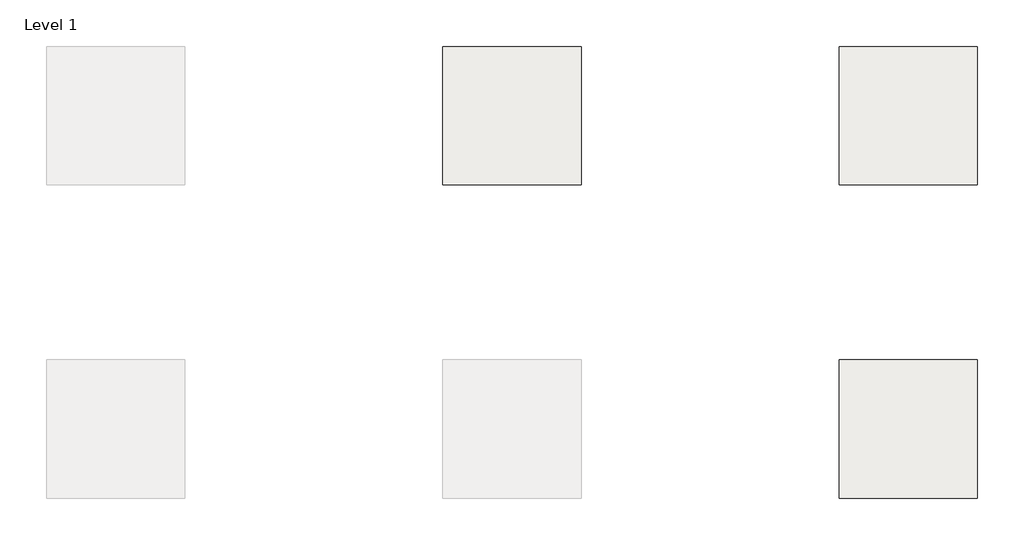
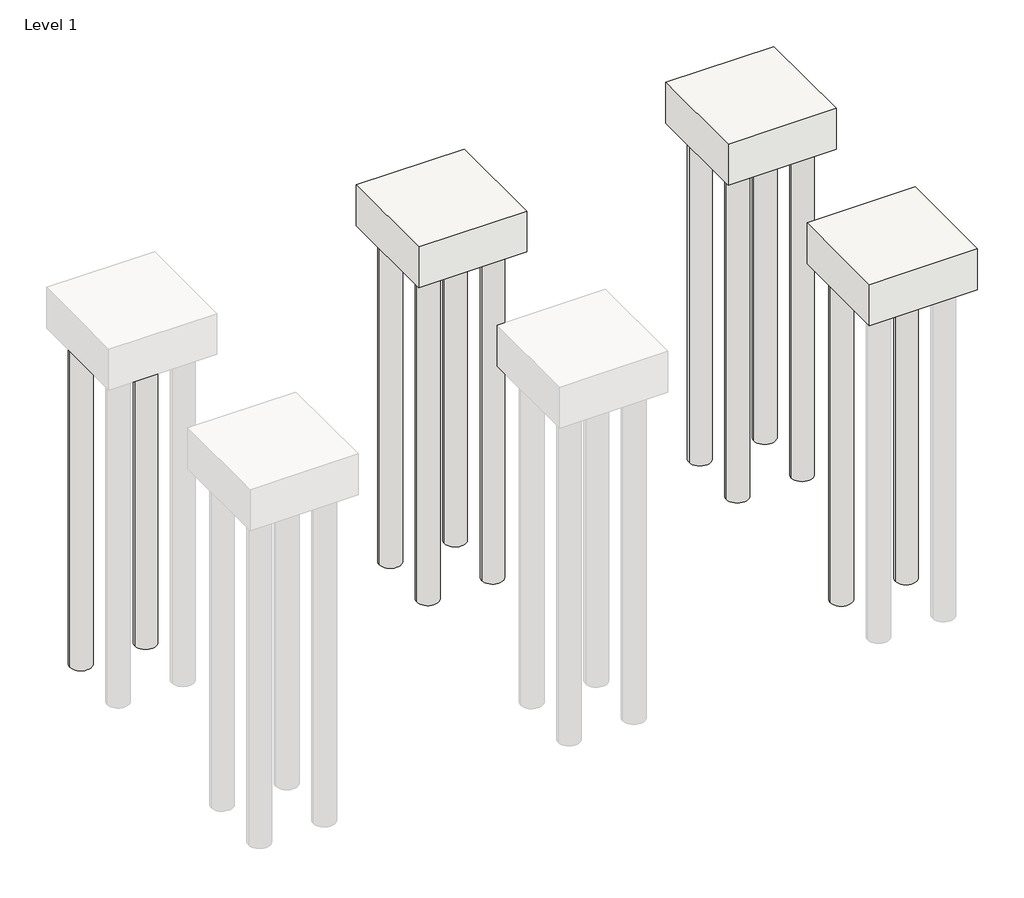
# One storey, part 2 of 2: 15 slabs.
"""IFC4 building model written with IfcOpenShell, lengths in millimetres."""

from ifc_helpers import new_model, si_unit, frame, origin, place, context, project, spatial, polyline, circle_curve, element, save
from ifc_brep_helpers import plane_surface, cylinder_surface, revolved_surface, advanced_brep

model = new_model("IFC4")

# Units and contexts
model_context = context("Model", 3, world=origin())
ifc_project = project(units=[si_unit("LENGTHUNIT", "METRE", prefix="MILLI")], contexts=[model_context])

# Site, building, storey
site = spatial("IfcSite", under=ifc_project)
building = spatial("IfcBuilding", under=site)
storey = spatial("IfcBuildingStorey", under=building, Name="Level 1", Elevation=0.0)

# Slabs
placement = place(None, origin())
element("IfcSlab", 1, ObjectType="4 Pile Round : 4 Pile Round", at=placement, inside=storey, context=model_context, shape_type="AdvancedBrep", body=[
    advanced_brep(
    [(6177.1865889, 4440.9620991, -600.0), (6177.1865889, 2940.9620991, -600.0), (4677.1865889, 2940.9620991, -600.0), (4677.1865889, 4440.9620991, -600.0), (4827.1865889, 4140.9620991, -600.0), (5127.1865889, 4140.9620991, -600.0), (5727.1865889, 4140.9620991, -600.0), (6027.1865889, 4140.9620991, -600.0), (5727.1865889, 3240.9620991, -600.0), (6027.1865889, 3240.9620991, -600.0), (4827.1865889, 3240.9620991, -600.0), (5127.1865889, 3240.9620991, -600.0), (6177.1865889, 4440.9620991, 0.0), (4677.1865889, 4440.9620991, 0.0), (4677.1865889, 2940.9620991, 0.0), (6177.1865889, 2940.9620991, 0.0), (4827.1865889, 4140.9620991, -450.0), (5127.1865889, 4140.9620991, -450.0), (5727.1865889, 4140.9620991, -450.0), (6027.1865889, 4140.9620991, -450.0), (5727.1865889, 3240.9620991, -450.0), (6027.1865889, 3240.9620991, -450.0), (4827.1865889, 3240.9620991, -450.0), (5127.1865889, 3240.9620991, -450.0)],
    [
        (0, 1),
        (1, 2),
        (2, 3),
        (3, 0),
        (4, 5, circle_curve(frame((4977.1865889, 4140.9620991, -600.0), z_axis=(0.0, 0.0, 1.0), x_axis=(1.0, 0.0, 0.0)), 150.0)),
        (5, 4, circle_curve(frame((4977.1865889, 4140.9620991, -600.0), z_axis=(0.0, 0.0, 1.0), x_axis=(1.0, 0.0, 0.0)), 150.0)),
        (6, 7, circle_curve(frame((5877.1865889, 4140.9620991, -600.0), z_axis=(0.0, 0.0, 1.0), x_axis=(1.0, 0.0, 0.0)), 150.0)),
        (7, 6, circle_curve(frame((5877.1865889, 4140.9620991, -600.0), z_axis=(0.0, 0.0, 1.0), x_axis=(1.0, 0.0, 0.0)), 150.0)),
        (8, 9, circle_curve(frame((5877.1865889, 3240.9620991, -600.0), z_axis=(0.0, 0.0, 1.0), x_axis=(1.0, 0.0, 0.0)), 150.0)),
        (9, 8, circle_curve(frame((5877.1865889, 3240.9620991, -600.0), z_axis=(0.0, 0.0, 1.0), x_axis=(1.0, 0.0, 0.0)), 150.0)),
        (10, 11, circle_curve(frame((4977.1865889, 3240.9620991, -600.0), z_axis=(0.0, 0.0, 1.0), x_axis=(1.0, 0.0, 0.0)), 150.0)),
        (11, 10, circle_curve(frame((4977.1865889, 3240.9620991, -600.0), z_axis=(0.0, 0.0, 1.0), x_axis=(1.0, 0.0, 0.0)), 150.0)),
        (12, 13),
        (13, 14),
        (14, 15),
        (15, 12),
        (3, 13),
        (12, 0),
        (2, 14),
        (1, 15),
        (16, 17, circle_curve(frame((4977.1865889, 4140.9620991, -450.0), z_axis=(0.0, 0.0, -1.0), x_axis=(1.0, 0.0, 0.0)), 150.0)),
        (17, 16, circle_curve(frame((4977.1865889, 4140.9620991, -450.0), z_axis=(0.0, 0.0, -1.0), x_axis=(1.0, 0.0, 0.0)), 150.0)),
        (18, 19, circle_curve(frame((5877.1865889, 4140.9620991, -450.0), z_axis=(0.0, 0.0, -1.0), x_axis=(1.0, 0.0, 0.0)), 150.0)),
        (19, 18, circle_curve(frame((5877.1865889, 4140.9620991, -450.0), z_axis=(0.0, 0.0, -1.0), x_axis=(1.0, 0.0, 0.0)), 150.0)),
        (20, 21, circle_curve(frame((5877.1865889, 3240.9620991, -450.0), z_axis=(0.0, 0.0, -1.0), x_axis=(1.0, 0.0, 0.0)), 150.0)),
        (21, 20, circle_curve(frame((5877.1865889, 3240.9620991, -450.0), z_axis=(0.0, 0.0, -1.0), x_axis=(1.0, 0.0, 0.0)), 150.0)),
        (22, 23, circle_curve(frame((4977.1865889, 3240.9620991, -450.0), z_axis=(0.0, 0.0, -1.0), x_axis=(1.0, 0.0, 0.0)), 150.0)),
        (23, 22, circle_curve(frame((4977.1865889, 3240.9620991, -450.0), z_axis=(0.0, 0.0, -1.0), x_axis=(1.0, 0.0, 0.0)), 150.0)),
        (17, 5),
        (4, 16),
        (19, 7),
        (6, 18),
        (21, 9),
        (8, 20),
        (23, 11),
        (10, 22),
    ],
    [
        plane_surface(frame((4677.1865889, 4440.9620991, -600.0), z_axis=(0.0, 0.0, -1.0), x_axis=(1.0, 0.0, 0.0))),
        plane_surface(frame((4677.1865889, 4440.9620991, 0.0), z_axis=(0.0, 0.0, 1.0), x_axis=(-1.0, 0.0, 0.0))),
        plane_surface(frame((6177.1865889, 4440.9620991, 0.0), z_axis=(0.0, 1.0, 0.0), x_axis=(0.0, 0.0, -1.0))),
        plane_surface(frame((4677.1865889, 4440.9620991, 0.0), z_axis=(-1.0, 0.0, 0.0), x_axis=(0.0, 0.0, -1.0))),
        plane_surface(frame((4677.1865889, 2940.9620991, 0.0), z_axis=(0.0, -1.0, 0.0), x_axis=(0.0, 0.0, -1.0))),
        plane_surface(frame((6177.1865889, 2940.9620991, 0.0), z_axis=(1.0, 0.0, 0.0), x_axis=(0.0, 0.0, -1.0))),
        plane_surface(frame((5127.1865889, 4140.9620991, -450.0), z_axis=(0.0, 0.0, -1.0), x_axis=(0.0, 1.0, 0.0))),
        revolved_surface(polyline([(5127.1865889, 4140.9620991, -450.0), (5127.1865889, 4140.9620991, -600.0)]), (4977.1865889, 4140.9620991, -600.0), (0.0, 0.0, 1.0)),
        revolved_surface(polyline([(6027.1865889, 4140.9620991, -450.0), (6027.1865889, 4140.9620991, -600.0)]), (5877.1865889, 4140.9620991, 0.0), (0.0, 0.0, 1.0)),
        revolved_surface(polyline([(6027.1865889, 3240.9620991, -450.0), (6027.1865889, 3240.9620991, -600.0)]), (5877.1865889, 3240.9620991, 0.0), (0.0, 0.0, 1.0)),
        revolved_surface(polyline([(5127.1865889, 3240.9620991, -450.0), (5127.1865889, 3240.9620991, -600.0)]), (4977.1865889, 3240.9620991, 0.0), (0.0, 0.0, 1.0)),
    ],
    [
        (0, [[1, 2, 3, 4], [5, 6], [7, 8], [9, 10], [11, 12]]),
        (1, [[13, 14, 15, 16]]),
        (2, [[-4, 17, -13, 18]]),
        (3, [[-3, 19, -14, -17]]),
        (4, [[-2, 20, -15, -19]]),
        (5, [[-1, -18, -16, -20]]),
        (6, [[21, 22]]),
        (6, [[23, 24]]),
        (6, [[25, 26]]),
        (6, [[27, 28]]),
        (7, [[-22, 29, -5, 30]]),
        (7, [[-21, -30, -6, -29]]),
        (8, [[-24, 31, -7, 32]]),
        (8, [[-23, -32, -8, -31]]),
        (9, [[-26, 33, -9, 34]]),
        (9, [[-25, -34, -10, -33]]),
        (10, [[-28, 35, -11, 36]]),
        (10, [[-27, -36, -12, -35]]),
    ],
),
])
element("IfcSlab", 2, ObjectType="4 Pile Round : 4 Pile Round", at=placement, inside=storey, context=model_context, shape_type="AdvancedBrep", body=[
    advanced_brep(
    [(10477.1865889, 4440.9620991, -600.0), (10477.1865889, 2940.9620991, -600.0), (8977.1865889, 2940.9620991, -600.0), (8977.1865889, 4440.9620991, -600.0), (9127.1865889, 4140.9620991, -600.0), (9427.1865889, 4140.9620991, -600.0), (10027.1865889, 4140.9620991, -600.0), (10327.1865889, 4140.9620991, -600.0), (10027.1865889, 3240.9620991, -600.0), (10327.1865889, 3240.9620991, -600.0), (9127.1865889, 3240.9620991, -600.0), (9427.1865889, 3240.9620991, -600.0), (10477.1865889, 4440.9620991, 0.0), (8977.1865889, 4440.9620991, 0.0), (8977.1865889, 2940.9620991, 0.0), (10477.1865889, 2940.9620991, 0.0), (9127.1865889, 4140.9620991, -450.0), (9427.1865889, 4140.9620991, -450.0), (10027.1865889, 4140.9620991, -450.0), (10327.1865889, 4140.9620991, -450.0), (10027.1865889, 3240.9620991, -450.0), (10327.1865889, 3240.9620991, -450.0), (9127.1865889, 3240.9620991, -450.0), (9427.1865889, 3240.9620991, -450.0)],
    [
        (0, 1),
        (1, 2),
        (2, 3),
        (3, 0),
        (4, 5, circle_curve(frame((9277.1865889, 4140.9620991, -600.0), z_axis=(0.0, 0.0, 1.0), x_axis=(1.0, 0.0, 0.0)), 150.0)),
        (5, 4, circle_curve(frame((9277.1865889, 4140.9620991, -600.0), z_axis=(0.0, 0.0, 1.0), x_axis=(1.0, 0.0, 0.0)), 150.0)),
        (6, 7, circle_curve(frame((10177.1865889, 4140.9620991, -600.0), z_axis=(0.0, 0.0, 1.0), x_axis=(1.0, 0.0, 0.0)), 150.0)),
        (7, 6, circle_curve(frame((10177.1865889, 4140.9620991, -600.0), z_axis=(0.0, 0.0, 1.0), x_axis=(1.0, 0.0, 0.0)), 150.0)),
        (8, 9, circle_curve(frame((10177.1865889, 3240.9620991, -600.0), z_axis=(0.0, 0.0, 1.0), x_axis=(1.0, 0.0, 0.0)), 150.0)),
        (9, 8, circle_curve(frame((10177.1865889, 3240.9620991, -600.0), z_axis=(0.0, 0.0, 1.0), x_axis=(1.0, 0.0, 0.0)), 150.0)),
        (10, 11, circle_curve(frame((9277.1865889, 3240.9620991, -600.0), z_axis=(0.0, 0.0, 1.0), x_axis=(1.0, 0.0, 0.0)), 150.0)),
        (11, 10, circle_curve(frame((9277.1865889, 3240.9620991, -600.0), z_axis=(0.0, 0.0, 1.0), x_axis=(1.0, 0.0, 0.0)), 150.0)),
        (12, 13),
        (13, 14),
        (14, 15),
        (15, 12),
        (3, 13),
        (12, 0),
        (2, 14),
        (1, 15),
        (16, 17, circle_curve(frame((9277.1865889, 4140.9620991, -450.0), z_axis=(0.0, 0.0, -1.0), x_axis=(1.0, 0.0, 0.0)), 150.0)),
        (17, 16, circle_curve(frame((9277.1865889, 4140.9620991, -450.0), z_axis=(0.0, 0.0, -1.0), x_axis=(1.0, 0.0, 0.0)), 150.0)),
        (18, 19, circle_curve(frame((10177.1865889, 4140.9620991, -450.0), z_axis=(0.0, 0.0, -1.0), x_axis=(1.0, 0.0, 0.0)), 150.0)),
        (19, 18, circle_curve(frame((10177.1865889, 4140.9620991, -450.0), z_axis=(0.0, 0.0, -1.0), x_axis=(1.0, 0.0, 0.0)), 150.0)),
        (20, 21, circle_curve(frame((10177.1865889, 3240.9620991, -450.0), z_axis=(0.0, 0.0, -1.0), x_axis=(1.0, 0.0, 0.0)), 150.0)),
        (21, 20, circle_curve(frame((10177.1865889, 3240.9620991, -450.0), z_axis=(0.0, 0.0, -1.0), x_axis=(1.0, 0.0, 0.0)), 150.0)),
        (22, 23, circle_curve(frame((9277.1865889, 3240.9620991, -450.0), z_axis=(0.0, 0.0, -1.0), x_axis=(1.0, 0.0, 0.0)), 150.0)),
        (23, 22, circle_curve(frame((9277.1865889, 3240.9620991, -450.0), z_axis=(0.0, 0.0, -1.0), x_axis=(1.0, 0.0, 0.0)), 150.0)),
        (17, 5),
        (4, 16),
        (19, 7),
        (6, 18),
        (21, 9),
        (8, 20),
        (23, 11),
        (10, 22),
    ],
    [
        plane_surface(frame((8977.1865889, 4440.9620991, -600.0), z_axis=(0.0, 0.0, -1.0), x_axis=(1.0, 0.0, 0.0))),
        plane_surface(frame((8977.1865889, 4440.9620991, 0.0), z_axis=(0.0, 0.0, 1.0), x_axis=(-1.0, 0.0, 0.0))),
        plane_surface(frame((10477.1865889, 4440.9620991, 0.0), z_axis=(0.0, 1.0, 0.0), x_axis=(0.0, 0.0, -1.0))),
        plane_surface(frame((8977.1865889, 4440.9620991, 0.0), z_axis=(-1.0, 0.0, 0.0), x_axis=(0.0, 0.0, -1.0))),
        plane_surface(frame((8977.1865889, 2940.9620991, 0.0), z_axis=(0.0, -1.0, 0.0), x_axis=(0.0, 0.0, -1.0))),
        plane_surface(frame((10477.1865889, 2940.9620991, 0.0), z_axis=(1.0, 0.0, 0.0), x_axis=(0.0, 0.0, -1.0))),
        plane_surface(frame((9427.1865889, 4140.9620991, -450.0), z_axis=(0.0, 0.0, -1.0), x_axis=(0.0, 1.0, 0.0))),
        revolved_surface(polyline([(9427.1865889, 4140.9620991, -450.0), (9427.1865889, 4140.9620991, -600.0)]), (9277.1865889, 4140.9620991, -600.0), (0.0, 0.0, 1.0)),
        revolved_surface(polyline([(10327.1865889, 4140.9620991, -450.0), (10327.1865889, 4140.9620991, -600.0)]), (10177.1865889, 4140.9620991, 0.0), (0.0, 0.0, 1.0)),
        revolved_surface(polyline([(10327.1865889, 3240.9620991, -450.0), (10327.1865889, 3240.9620991, -600.0)]), (10177.1865889, 3240.9620991, 0.0), (0.0, 0.0, 1.0)),
        revolved_surface(polyline([(9427.1865889, 3240.9620991, -450.0), (9427.1865889, 3240.9620991, -600.0)]), (9277.1865889, 3240.9620991, 0.0), (0.0, 0.0, 1.0)),
    ],
    [
        (0, [[1, 2, 3, 4], [5, 6], [7, 8], [9, 10], [11, 12]]),
        (1, [[13, 14, 15, 16]]),
        (2, [[-4, 17, -13, 18]]),
        (3, [[-3, 19, -14, -17]]),
        (4, [[-2, 20, -15, -19]]),
        (5, [[-1, -18, -16, -20]]),
        (6, [[21, 22]]),
        (6, [[23, 24]]),
        (6, [[25, 26]]),
        (6, [[27, 28]]),
        (7, [[-22, 29, -5, 30]]),
        (7, [[-21, -30, -6, -29]]),
        (8, [[-24, 31, -7, 32]]),
        (8, [[-23, -32, -8, -31]]),
        (9, [[-26, 33, -9, 34]]),
        (9, [[-25, -34, -10, -33]]),
        (10, [[-28, 35, -11, 36]]),
        (10, [[-27, -36, -12, -35]]),
    ],
),
])
element("IfcSlab", 3, ObjectType="4 Pile Round : 4 Pile Round", at=placement, inside=storey, context=model_context, shape_type="AdvancedBrep", body=[
    advanced_brep(
    [(10477.1865889, 1040.9620991, -600.0), (10477.1865889, -459.0379009, -600.0), (8977.1865889, -459.0379009, -600.0), (8977.1865889, 1040.9620991, -600.0), (9127.1865889, 740.9620991, -600.0), (9427.1865889, 740.9620991, -600.0), (10027.1865889, 740.9620991, -600.0), (10327.1865889, 740.9620991, -600.0), (10027.1865889, -159.0379009, -600.0), (10327.1865889, -159.0379009, -600.0), (9127.1865889, -159.0379009, -600.0), (9427.1865889, -159.0379009, -600.0), (10477.1865889, 1040.9620991, 0.0), (8977.1865889, 1040.9620991, 0.0), (8977.1865889, -459.0379009, 0.0), (10477.1865889, -459.0379009, 0.0), (9127.1865889, 740.9620991, -450.0), (9427.1865889, 740.9620991, -450.0), (10027.1865889, 740.9620991, -450.0), (10327.1865889, 740.9620991, -450.0), (10027.1865889, -159.0379009, -450.0), (10327.1865889, -159.0379009, -450.0), (9127.1865889, -159.0379009, -450.0), (9427.1865889, -159.0379009, -450.0)],
    [
        (0, 1),
        (1, 2),
        (2, 3),
        (3, 0),
        (4, 5, circle_curve(frame((9277.1865889, 740.9620991, -600.0), z_axis=(0.0, 0.0, 1.0), x_axis=(1.0, 0.0, 0.0)), 150.0)),
        (5, 4, circle_curve(frame((9277.1865889, 740.9620991, -600.0), z_axis=(0.0, 0.0, 1.0), x_axis=(1.0, 0.0, 0.0)), 150.0)),
        (6, 7, circle_curve(frame((10177.1865889, 740.9620991, -600.0), z_axis=(0.0, 0.0, 1.0), x_axis=(1.0, 0.0, 0.0)), 150.0)),
        (7, 6, circle_curve(frame((10177.1865889, 740.9620991, -600.0), z_axis=(0.0, 0.0, 1.0), x_axis=(1.0, 0.0, 0.0)), 150.0)),
        (8, 9, circle_curve(frame((10177.1865889, -159.0379009, -600.0), z_axis=(0.0, 0.0, 1.0), x_axis=(1.0, 0.0, 0.0)), 150.0)),
        (9, 8, circle_curve(frame((10177.1865889, -159.0379009, -600.0), z_axis=(0.0, 0.0, 1.0), x_axis=(1.0, 0.0, 0.0)), 150.0)),
        (10, 11, circle_curve(frame((9277.1865889, -159.0379009, -600.0), z_axis=(0.0, 0.0, 1.0), x_axis=(1.0, 0.0, 0.0)), 150.0)),
        (11, 10, circle_curve(frame((9277.1865889, -159.0379009, -600.0), z_axis=(0.0, 0.0, 1.0), x_axis=(1.0, 0.0, 0.0)), 150.0)),
        (12, 13),
        (13, 14),
        (14, 15),
        (15, 12),
        (3, 13),
        (12, 0),
        (2, 14),
        (1, 15),
        (16, 17, circle_curve(frame((9277.1865889, 740.9620991, -450.0), z_axis=(0.0, 0.0, -1.0), x_axis=(1.0, 0.0, 0.0)), 150.0)),
        (17, 16, circle_curve(frame((9277.1865889, 740.9620991, -450.0), z_axis=(0.0, 0.0, -1.0), x_axis=(1.0, 0.0, 0.0)), 150.0)),
        (18, 19, circle_curve(frame((10177.1865889, 740.9620991, -450.0), z_axis=(0.0, 0.0, -1.0), x_axis=(1.0, 0.0, 0.0)), 150.0)),
        (19, 18, circle_curve(frame((10177.1865889, 740.9620991, -450.0), z_axis=(0.0, 0.0, -1.0), x_axis=(1.0, 0.0, 0.0)), 150.0)),
        (20, 21, circle_curve(frame((10177.1865889, -159.0379009, -450.0), z_axis=(0.0, 0.0, -1.0), x_axis=(1.0, 0.0, 0.0)), 150.0)),
        (21, 20, circle_curve(frame((10177.1865889, -159.0379009, -450.0), z_axis=(0.0, 0.0, -1.0), x_axis=(1.0, 0.0, 0.0)), 150.0)),
        (22, 23, circle_curve(frame((9277.1865889, -159.0379009, -450.0), z_axis=(0.0, 0.0, -1.0), x_axis=(1.0, 0.0, 0.0)), 150.0)),
        (23, 22, circle_curve(frame((9277.1865889, -159.0379009, -450.0), z_axis=(0.0, 0.0, -1.0), x_axis=(1.0, 0.0, 0.0)), 150.0)),
        (17, 5),
        (4, 16),
        (19, 7),
        (6, 18),
        (21, 9),
        (8, 20),
        (23, 11),
        (10, 22),
    ],
    [
        plane_surface(frame((8977.1865889, 1040.9620991, -600.0), z_axis=(0.0, 0.0, -1.0), x_axis=(1.0, 0.0, 0.0))),
        plane_surface(frame((8977.1865889, 1040.9620991, 0.0), z_axis=(0.0, 0.0, 1.0), x_axis=(-1.0, 0.0, 0.0))),
        plane_surface(frame((10477.1865889, 1040.9620991, 0.0), z_axis=(0.0, 1.0, 0.0), x_axis=(0.0, 0.0, -1.0))),
        plane_surface(frame((8977.1865889, 1040.9620991, 0.0), z_axis=(-1.0, 0.0, 0.0), x_axis=(0.0, 0.0, -1.0))),
        plane_surface(frame((8977.1865889, -459.0379009, 0.0), z_axis=(0.0, -1.0, 0.0), x_axis=(0.0, 0.0, -1.0))),
        plane_surface(frame((10477.1865889, -459.0379009, 0.0), z_axis=(1.0, 0.0, 0.0), x_axis=(0.0, 0.0, -1.0))),
        plane_surface(frame((9427.1865889, 740.9620991, -450.0), z_axis=(0.0, 0.0, -1.0), x_axis=(0.0, 1.0, 0.0))),
        revolved_surface(polyline([(9427.1865889, 740.9620991, -450.0), (9427.1865889, 740.9620991, -600.0)]), (9277.1865889, 740.9620991, -600.0), (0.0, 0.0, 1.0)),
        revolved_surface(polyline([(10327.1865889, 740.9620991, -450.0), (10327.1865889, 740.9620991, -600.0)]), (10177.1865889, 740.9620991, 0.0), (0.0, 0.0, 1.0)),
        revolved_surface(polyline([(10327.1865889, -159.0379009, -450.0), (10327.1865889, -159.0379009, -600.0)]), (10177.1865889, -159.0379009, 0.0), (0.0, 0.0, 1.0)),
        revolved_surface(polyline([(9427.1865889, -159.0379009, -450.0), (9427.1865889, -159.0379009, -600.0)]), (9277.1865889, -159.0379009, 0.0), (0.0, 0.0, 1.0)),
    ],
    [
        (0, [[1, 2, 3, 4], [5, 6], [7, 8], [9, 10], [11, 12]]),
        (1, [[13, 14, 15, 16]]),
        (2, [[-4, 17, -13, 18]]),
        (3, [[-3, 19, -14, -17]]),
        (4, [[-2, 20, -15, -19]]),
        (5, [[-1, -18, -16, -20]]),
        (6, [[21, 22]]),
        (6, [[23, 24]]),
        (6, [[25, 26]]),
        (6, [[27, 28]]),
        (7, [[-22, 29, -5, 30]]),
        (7, [[-21, -30, -6, -29]]),
        (8, [[-24, 31, -7, 32]]),
        (8, [[-23, -32, -8, -31]]),
        (9, [[-26, 33, -9, 34]]),
        (9, [[-25, -34, -10, -33]]),
        (10, [[-28, 35, -11, 36]]),
        (10, [[-27, -36, -12, -35]]),
    ],
),
])
element("IfcSlab", 4, ObjectType="Precast Round Pile : 200DIA", at=placement, inside=storey, context=model_context, shape_type="AdvancedBrep", body=[
    advanced_brep(
    [(527.1865889, 4140.9620991, -5450.0), (827.1865889, 4140.9620991, -5450.0), (527.1865889, 4140.9620991, -450.0), (827.1865889, 4140.9620991, -450.0), (827.1865889, 4140.9620991, -600.0), (527.1865889, 4140.9620991, -600.0)],
    [
        (0, 1, circle_curve(frame((677.1865889, 4140.9620991, -5450.0), z_axis=(0.0, 0.0, -1.0), x_axis=(1.0, 0.0, 0.0)), 150.0)),
        (1, 0, circle_curve(frame((677.1865889, 4140.9620991, -5450.0), z_axis=(0.0, 0.0, -1.0), x_axis=(1.0, 0.0, 0.0)), 150.0)),
        (2, 3, circle_curve(frame((677.1865889, 4140.9620991, -450.0), z_axis=(0.0, 0.0, 1.0), x_axis=(1.0, 0.0, 0.0)), 150.0)),
        (3, 2, circle_curve(frame((677.1865889, 4140.9620991, -450.0), z_axis=(0.0, 0.0, 1.0), x_axis=(1.0, 0.0, 0.0)), 150.0)),
        (1, 4),
        (4, 3),
        (2, 5),
        (5, 0),
    ],
    [
        plane_surface(frame((827.1865889, 4140.9620991, -5450.0), z_axis=(0.0, 0.0, -1.0), x_axis=(0.0, -1.0, 0.0))),
        plane_surface(frame((827.1865889, 4140.9620991, -450.0), z_axis=(0.0, 0.0, 1.0), x_axis=(0.0, 1.0, 0.0))),
        cylinder_surface(frame((677.1865889, 4140.9620991, -5450.0), z_axis=(0.0, 0.0, 1.0), x_axis=(1.0, 0.0, 0.0)), 150.0),
    ],
    [
        (0, [[1, 2]]),
        (1, [[3, 4]]),
        (2, [[-2, 5, 6, -3, 7, 8]]),
        (2, [[-1, -8, -7, -4, -6, -5]]),
    ],
),
])
element("IfcSlab", 5, ObjectType="Precast Round Pile : 200DIA", at=placement, inside=storey, context=model_context, shape_type="AdvancedBrep", body=[
    advanced_brep(
    [(1427.1865889, 4140.9620991, -5450.0), (1727.1865889, 4140.9620991, -5450.0), (1427.1865889, 4140.9620991, -450.0), (1727.1865889, 4140.9620991, -450.0), (1727.1865889, 4140.9620991, -600.0), (1427.1865889, 4140.9620991, -600.0)],
    [
        (0, 1, circle_curve(frame((1577.1865889, 4140.9620991, -5450.0), z_axis=(0.0, 0.0, -1.0), x_axis=(1.0, 0.0, 0.0)), 150.0)),
        (1, 0, circle_curve(frame((1577.1865889, 4140.9620991, -5450.0), z_axis=(0.0, 0.0, -1.0), x_axis=(1.0, 0.0, 0.0)), 150.0)),
        (2, 3, circle_curve(frame((1577.1865889, 4140.9620991, -450.0), z_axis=(0.0, 0.0, 1.0), x_axis=(1.0, 0.0, 0.0)), 150.0)),
        (3, 2, circle_curve(frame((1577.1865889, 4140.9620991, -450.0), z_axis=(0.0, 0.0, 1.0), x_axis=(1.0, 0.0, 0.0)), 150.0)),
        (1, 4),
        (4, 3),
        (2, 5),
        (5, 0),
    ],
    [
        plane_surface(frame((1727.1865889, 4140.9620991, -5450.0), z_axis=(0.0, 0.0, -1.0), x_axis=(0.0, -1.0, 0.0))),
        plane_surface(frame((1727.1865889, 4140.9620991, -450.0), z_axis=(0.0, 0.0, 1.0), x_axis=(0.0, 1.0, 0.0))),
        cylinder_surface(frame((1577.1865889, 4140.9620991, -5450.0), z_axis=(0.0, 0.0, 1.0), x_axis=(1.0, 0.0, 0.0)), 150.0),
    ],
    [
        (0, [[1, 2]]),
        (1, [[3, 4]]),
        (2, [[-2, 5, 6, -3, 7, 8]]),
        (2, [[-1, -8, -7, -4, -6, -5]]),
    ],
),
])
element("IfcSlab", 6, ObjectType="Precast Round Pile : 200DIA", at=placement, inside=storey, context=model_context, shape_type="AdvancedBrep", body=[
    advanced_brep(
    [(4827.1865889, 4140.9620991, -5450.0), (5127.1865889, 4140.9620991, -5450.0), (4827.1865889, 4140.9620991, -450.0), (5127.1865889, 4140.9620991, -450.0), (5127.1865889, 4140.9620991, -600.0), (4827.1865889, 4140.9620991, -600.0)],
    [
        (0, 1, circle_curve(frame((4977.1865889, 4140.9620991, -5450.0), z_axis=(0.0, 0.0, -1.0), x_axis=(1.0, 0.0, 0.0)), 150.0)),
        (1, 0, circle_curve(frame((4977.1865889, 4140.9620991, -5450.0), z_axis=(0.0, 0.0, -1.0), x_axis=(1.0, 0.0, 0.0)), 150.0)),
        (2, 3, circle_curve(frame((4977.1865889, 4140.9620991, -450.0), z_axis=(0.0, 0.0, 1.0), x_axis=(1.0, 0.0, 0.0)), 150.0)),
        (3, 2, circle_curve(frame((4977.1865889, 4140.9620991, -450.0), z_axis=(0.0, 0.0, 1.0), x_axis=(1.0, 0.0, 0.0)), 150.0)),
        (1, 4),
        (4, 3),
        (2, 5),
        (5, 0),
    ],
    [
        plane_surface(frame((5127.1865889, 4140.9620991, -5450.0), z_axis=(0.0, 0.0, -1.0), x_axis=(0.0, -1.0, 0.0))),
        plane_surface(frame((5127.1865889, 4140.9620991, -450.0), z_axis=(0.0, 0.0, 1.0), x_axis=(0.0, 1.0, 0.0))),
        cylinder_surface(frame((4977.1865889, 4140.9620991, -5450.0), z_axis=(0.0, 0.0, 1.0), x_axis=(1.0, 0.0, 0.0)), 150.0),
    ],
    [
        (0, [[1, 2]]),
        (1, [[3, 4]]),
        (2, [[-2, 5, 6, -3, 7, 8]]),
        (2, [[-1, -8, -7, -4, -6, -5]]),
    ],
),
])
element("IfcSlab", 7, ObjectType="Precast Round Pile : 200DIA", at=placement, inside=storey, context=model_context, shape_type="AdvancedBrep", body=[
    advanced_brep(
    [(5727.1865889, 4140.9620991, -5450.0), (6027.1865889, 4140.9620991, -5450.0), (5727.1865889, 4140.9620991, -450.0), (6027.1865889, 4140.9620991, -450.0), (6027.1865889, 4140.9620991, -600.0), (5727.1865889, 4140.9620991, -600.0)],
    [
        (0, 1, circle_curve(frame((5877.1865889, 4140.9620991, -5450.0), z_axis=(0.0, 0.0, -1.0), x_axis=(1.0, 0.0, 0.0)), 150.0)),
        (1, 0, circle_curve(frame((5877.1865889, 4140.9620991, -5450.0), z_axis=(0.0, 0.0, -1.0), x_axis=(1.0, 0.0, 0.0)), 150.0)),
        (2, 3, circle_curve(frame((5877.1865889, 4140.9620991, -450.0), z_axis=(0.0, 0.0, 1.0), x_axis=(1.0, 0.0, 0.0)), 150.0)),
        (3, 2, circle_curve(frame((5877.1865889, 4140.9620991, -450.0), z_axis=(0.0, 0.0, 1.0), x_axis=(1.0, 0.0, 0.0)), 150.0)),
        (1, 4),
        (4, 3),
        (2, 5),
        (5, 0),
    ],
    [
        plane_surface(frame((6027.1865889, 4140.9620991, -5450.0), z_axis=(0.0, 0.0, -1.0), x_axis=(0.0, -1.0, 0.0))),
        plane_surface(frame((6027.1865889, 4140.9620991, -450.0), z_axis=(0.0, 0.0, 1.0), x_axis=(0.0, 1.0, 0.0))),
        cylinder_surface(frame((5877.1865889, 4140.9620991, -5450.0), z_axis=(0.0, 0.0, 1.0), x_axis=(1.0, 0.0, 0.0)), 150.0),
    ],
    [
        (0, [[1, 2]]),
        (1, [[3, 4]]),
        (2, [[-2, 5, 6, -3, 7, 8]]),
        (2, [[-1, -8, -7, -4, -6, -5]]),
    ],
),
])
element("IfcSlab", 8, ObjectType="Precast Round Pile : 200DIA", at=placement, inside=storey, context=model_context, shape_type="AdvancedBrep", body=[
    advanced_brep(
    [(5727.1865889, 3240.9620991, -5450.0), (6027.1865889, 3240.9620991, -5450.0), (5727.1865889, 3240.9620991, -450.0), (6027.1865889, 3240.9620991, -450.0), (6027.1865889, 3240.9620991, -600.0), (5727.1865889, 3240.9620991, -600.0)],
    [
        (0, 1, circle_curve(frame((5877.1865889, 3240.9620991, -5450.0), z_axis=(0.0, 0.0, -1.0), x_axis=(1.0, 0.0, 0.0)), 150.0)),
        (1, 0, circle_curve(frame((5877.1865889, 3240.9620991, -5450.0), z_axis=(0.0, 0.0, -1.0), x_axis=(1.0, 0.0, 0.0)), 150.0)),
        (2, 3, circle_curve(frame((5877.1865889, 3240.9620991, -450.0), z_axis=(0.0, 0.0, 1.0), x_axis=(1.0, 0.0, 0.0)), 150.0)),
        (3, 2, circle_curve(frame((5877.1865889, 3240.9620991, -450.0), z_axis=(0.0, 0.0, 1.0), x_axis=(1.0, 0.0, 0.0)), 150.0)),
        (1, 4),
        (4, 3),
        (2, 5),
        (5, 0),
    ],
    [
        plane_surface(frame((6027.1865889, 3240.9620991, -5450.0), z_axis=(0.0, 0.0, -1.0), x_axis=(0.0, -1.0, 0.0))),
        plane_surface(frame((6027.1865889, 3240.9620991, -450.0), z_axis=(0.0, 0.0, 1.0), x_axis=(0.0, 1.0, 0.0))),
        cylinder_surface(frame((5877.1865889, 3240.9620991, -5450.0), z_axis=(0.0, 0.0, 1.0), x_axis=(1.0, 0.0, 0.0)), 150.0),
    ],
    [
        (0, [[1, 2]]),
        (1, [[3, 4]]),
        (2, [[-2, 5, 6, -3, 7, 8]]),
        (2, [[-1, -8, -7, -4, -6, -5]]),
    ],
),
])
element("IfcSlab", 9, ObjectType="Precast Round Pile : 200DIA", at=placement, inside=storey, context=model_context, shape_type="AdvancedBrep", body=[
    advanced_brep(
    [(4827.1865889, 3240.9620991, -5450.0), (5127.1865889, 3240.9620991, -5450.0), (4827.1865889, 3240.9620991, -450.0), (5127.1865889, 3240.9620991, -450.0), (5127.1865889, 3240.9620991, -600.0), (4827.1865889, 3240.9620991, -600.0)],
    [
        (0, 1, circle_curve(frame((4977.1865889, 3240.9620991, -5450.0), z_axis=(0.0, 0.0, -1.0), x_axis=(1.0, 0.0, 0.0)), 150.0)),
        (1, 0, circle_curve(frame((4977.1865889, 3240.9620991, -5450.0), z_axis=(0.0, 0.0, -1.0), x_axis=(1.0, 0.0, 0.0)), 150.0)),
        (2, 3, circle_curve(frame((4977.1865889, 3240.9620991, -450.0), z_axis=(0.0, 0.0, 1.0), x_axis=(1.0, 0.0, 0.0)), 150.0)),
        (3, 2, circle_curve(frame((4977.1865889, 3240.9620991, -450.0), z_axis=(0.0, 0.0, 1.0), x_axis=(1.0, 0.0, 0.0)), 150.0)),
        (1, 4),
        (4, 3),
        (2, 5),
        (5, 0),
    ],
    [
        plane_surface(frame((5127.1865889, 3240.9620991, -5450.0), z_axis=(0.0, 0.0, -1.0), x_axis=(0.0, -1.0, 0.0))),
        plane_surface(frame((5127.1865889, 3240.9620991, -450.0), z_axis=(0.0, 0.0, 1.0), x_axis=(0.0, 1.0, 0.0))),
        cylinder_surface(frame((4977.1865889, 3240.9620991, -5450.0), z_axis=(0.0, 0.0, 1.0), x_axis=(1.0, 0.0, 0.0)), 150.0),
    ],
    [
        (0, [[1, 2]]),
        (1, [[3, 4]]),
        (2, [[-2, 5, 6, -3, 7, 8]]),
        (2, [[-1, -8, -7, -4, -6, -5]]),
    ],
),
])
element("IfcSlab", 10, ObjectType="Precast Round Pile : 200DIA", at=placement, inside=storey, context=model_context, shape_type="AdvancedBrep", body=[
    advanced_brep(
    [(9127.1865889, 4140.9620991, -5450.0), (9427.1865889, 4140.9620991, -5450.0), (9127.1865889, 4140.9620991, -450.0), (9427.1865889, 4140.9620991, -450.0), (9427.1865889, 4140.9620991, -600.0), (9127.1865889, 4140.9620991, -600.0)],
    [
        (0, 1, circle_curve(frame((9277.1865889, 4140.9620991, -5450.0), z_axis=(0.0, 0.0, -1.0), x_axis=(1.0, 0.0, 0.0)), 150.0)),
        (1, 0, circle_curve(frame((9277.1865889, 4140.9620991, -5450.0), z_axis=(0.0, 0.0, -1.0), x_axis=(1.0, 0.0, 0.0)), 150.0)),
        (2, 3, circle_curve(frame((9277.1865889, 4140.9620991, -450.0), z_axis=(0.0, 0.0, 1.0), x_axis=(1.0, 0.0, 0.0)), 150.0)),
        (3, 2, circle_curve(frame((9277.1865889, 4140.9620991, -450.0), z_axis=(0.0, 0.0, 1.0), x_axis=(1.0, 0.0, 0.0)), 150.0)),
        (1, 4),
        (4, 3),
        (2, 5),
        (5, 0),
    ],
    [
        plane_surface(frame((9427.1865889, 4140.9620991, -5450.0), z_axis=(0.0, 0.0, -1.0), x_axis=(0.0, -1.0, 0.0))),
        plane_surface(frame((9427.1865889, 4140.9620991, -450.0), z_axis=(0.0, 0.0, 1.0), x_axis=(0.0, 1.0, 0.0))),
        cylinder_surface(frame((9277.1865889, 4140.9620991, -5450.0), z_axis=(0.0, 0.0, 1.0), x_axis=(1.0, 0.0, 0.0)), 150.0),
    ],
    [
        (0, [[1, 2]]),
        (1, [[3, 4]]),
        (2, [[-2, 5, 6, -3, 7, 8]]),
        (2, [[-1, -8, -7, -4, -6, -5]]),
    ],
),
])
element("IfcSlab", 11, ObjectType="Precast Round Pile : 200DIA", at=placement, inside=storey, context=model_context, shape_type="AdvancedBrep", body=[
    advanced_brep(
    [(10027.1865889, 4140.9620991, -5450.0), (10327.1865889, 4140.9620991, -5450.0), (10027.1865889, 4140.9620991, -450.0), (10327.1865889, 4140.9620991, -450.0), (10327.1865889, 4140.9620991, -600.0), (10027.1865889, 4140.9620991, -600.0)],
    [
        (0, 1, circle_curve(frame((10177.1865889, 4140.9620991, -5450.0), z_axis=(0.0, 0.0, -1.0), x_axis=(1.0, 0.0, 0.0)), 150.0)),
        (1, 0, circle_curve(frame((10177.1865889, 4140.9620991, -5450.0), z_axis=(0.0, 0.0, -1.0), x_axis=(1.0, 0.0, 0.0)), 150.0)),
        (2, 3, circle_curve(frame((10177.1865889, 4140.9620991, -450.0), z_axis=(0.0, 0.0, 1.0), x_axis=(1.0, 0.0, 0.0)), 150.0)),
        (3, 2, circle_curve(frame((10177.1865889, 4140.9620991, -450.0), z_axis=(0.0, 0.0, 1.0), x_axis=(1.0, 0.0, 0.0)), 150.0)),
        (1, 4),
        (4, 3),
        (2, 5),
        (5, 0),
    ],
    [
        plane_surface(frame((10327.1865889, 4140.9620991, -5450.0), z_axis=(0.0, 0.0, -1.0), x_axis=(0.0, -1.0, 0.0))),
        plane_surface(frame((10327.1865889, 4140.9620991, -450.0), z_axis=(0.0, 0.0, 1.0), x_axis=(0.0, 1.0, 0.0))),
        cylinder_surface(frame((10177.1865889, 4140.9620991, -5450.0), z_axis=(0.0, 0.0, 1.0), x_axis=(1.0, 0.0, 0.0)), 150.0),
    ],
    [
        (0, [[1, 2]]),
        (1, [[3, 4]]),
        (2, [[-2, 5, 6, -3, 7, 8]]),
        (2, [[-1, -8, -7, -4, -6, -5]]),
    ],
),
])
element("IfcSlab", 12, ObjectType="Precast Round Pile : 200DIA", at=placement, inside=storey, context=model_context, shape_type="AdvancedBrep", body=[
    advanced_brep(
    [(10027.1865889, 3240.9620991, -5450.0), (10327.1865889, 3240.9620991, -5450.0), (10027.1865889, 3240.9620991, -450.0), (10327.1865889, 3240.9620991, -450.0), (10327.1865889, 3240.9620991, -600.0), (10027.1865889, 3240.9620991, -600.0)],
    [
        (0, 1, circle_curve(frame((10177.1865889, 3240.9620991, -5450.0), z_axis=(0.0, 0.0, -1.0), x_axis=(1.0, 0.0, 0.0)), 150.0)),
        (1, 0, circle_curve(frame((10177.1865889, 3240.9620991, -5450.0), z_axis=(0.0, 0.0, -1.0), x_axis=(1.0, 0.0, 0.0)), 150.0)),
        (2, 3, circle_curve(frame((10177.1865889, 3240.9620991, -450.0), z_axis=(0.0, 0.0, 1.0), x_axis=(1.0, 0.0, 0.0)), 150.0)),
        (3, 2, circle_curve(frame((10177.1865889, 3240.9620991, -450.0), z_axis=(0.0, 0.0, 1.0), x_axis=(1.0, 0.0, 0.0)), 150.0)),
        (1, 4),
        (4, 3),
        (2, 5),
        (5, 0),
    ],
    [
        plane_surface(frame((10327.1865889, 3240.9620991, -5450.0), z_axis=(0.0, 0.0, -1.0), x_axis=(0.0, -1.0, 0.0))),
        plane_surface(frame((10327.1865889, 3240.9620991, -450.0), z_axis=(0.0, 0.0, 1.0), x_axis=(0.0, 1.0, 0.0))),
        cylinder_surface(frame((10177.1865889, 3240.9620991, -5450.0), z_axis=(0.0, 0.0, 1.0), x_axis=(1.0, 0.0, 0.0)), 150.0),
    ],
    [
        (0, [[1, 2]]),
        (1, [[3, 4]]),
        (2, [[-2, 5, 6, -3, 7, 8]]),
        (2, [[-1, -8, -7, -4, -6, -5]]),
    ],
),
])
element("IfcSlab", 13, ObjectType="Precast Round Pile : 200DIA", at=placement, inside=storey, context=model_context, shape_type="AdvancedBrep", body=[
    advanced_brep(
    [(9127.1865889, 3240.9620991, -5450.0), (9427.1865889, 3240.9620991, -5450.0), (9127.1865889, 3240.9620991, -450.0), (9427.1865889, 3240.9620991, -450.0), (9427.1865889, 3240.9620991, -600.0), (9127.1865889, 3240.9620991, -600.0)],
    [
        (0, 1, circle_curve(frame((9277.1865889, 3240.9620991, -5450.0), z_axis=(0.0, 0.0, -1.0), x_axis=(1.0, 0.0, 0.0)), 150.0)),
        (1, 0, circle_curve(frame((9277.1865889, 3240.9620991, -5450.0), z_axis=(0.0, 0.0, -1.0), x_axis=(1.0, 0.0, 0.0)), 150.0)),
        (2, 3, circle_curve(frame((9277.1865889, 3240.9620991, -450.0), z_axis=(0.0, 0.0, 1.0), x_axis=(1.0, 0.0, 0.0)), 150.0)),
        (3, 2, circle_curve(frame((9277.1865889, 3240.9620991, -450.0), z_axis=(0.0, 0.0, 1.0), x_axis=(1.0, 0.0, 0.0)), 150.0)),
        (1, 4),
        (4, 3),
        (2, 5),
        (5, 0),
    ],
    [
        plane_surface(frame((9427.1865889, 3240.9620991, -5450.0), z_axis=(0.0, 0.0, -1.0), x_axis=(0.0, -1.0, 0.0))),
        plane_surface(frame((9427.1865889, 3240.9620991, -450.0), z_axis=(0.0, 0.0, 1.0), x_axis=(0.0, 1.0, 0.0))),
        cylinder_surface(frame((9277.1865889, 3240.9620991, -5450.0), z_axis=(0.0, 0.0, 1.0), x_axis=(1.0, 0.0, 0.0)), 150.0),
    ],
    [
        (0, [[1, 2]]),
        (1, [[3, 4]]),
        (2, [[-2, 5, 6, -3, 7, 8]]),
        (2, [[-1, -8, -7, -4, -6, -5]]),
    ],
),
])
element("IfcSlab", 14, ObjectType="Precast Round Pile : 200DIA", at=placement, inside=storey, context=model_context, shape_type="AdvancedBrep", body=[
    advanced_brep(
    [(9127.1865889, 740.9620991, -5450.0), (9427.1865889, 740.9620991, -5450.0), (9127.1865889, 740.9620991, -450.0), (9427.1865889, 740.9620991, -450.0), (9427.1865889, 740.9620991, -600.0), (9127.1865889, 740.9620991, -600.0)],
    [
        (0, 1, circle_curve(frame((9277.1865889, 740.9620991, -5450.0), z_axis=(0.0, 0.0, -1.0), x_axis=(1.0, 0.0, 0.0)), 150.0)),
        (1, 0, circle_curve(frame((9277.1865889, 740.9620991, -5450.0), z_axis=(0.0, 0.0, -1.0), x_axis=(1.0, 0.0, 0.0)), 150.0)),
        (2, 3, circle_curve(frame((9277.1865889, 740.9620991, -450.0), z_axis=(0.0, 0.0, 1.0), x_axis=(1.0, 0.0, 0.0)), 150.0)),
        (3, 2, circle_curve(frame((9277.1865889, 740.9620991, -450.0), z_axis=(0.0, 0.0, 1.0), x_axis=(1.0, 0.0, 0.0)), 150.0)),
        (1, 4),
        (4, 3),
        (2, 5),
        (5, 0),
    ],
    [
        plane_surface(frame((9427.1865889, 740.9620991, -5450.0), z_axis=(0.0, 0.0, -1.0), x_axis=(0.0, -1.0, 0.0))),
        plane_surface(frame((9427.1865889, 740.9620991, -450.0), z_axis=(0.0, 0.0, 1.0), x_axis=(0.0, 1.0, 0.0))),
        cylinder_surface(frame((9277.1865889, 740.9620991, -5450.0), z_axis=(0.0, 0.0, 1.0), x_axis=(1.0, 0.0, 0.0)), 150.0),
    ],
    [
        (0, [[1, 2]]),
        (1, [[3, 4]]),
        (2, [[-2, 5, 6, -3, 7, 8]]),
        (2, [[-1, -8, -7, -4, -6, -5]]),
    ],
),
])
element("IfcSlab", 15, ObjectType="Precast Round Pile : 200DIA", at=placement, inside=storey, context=model_context, shape_type="AdvancedBrep", body=[
    advanced_brep(
    [(10027.1865889, 740.9620991, -5450.0), (10327.1865889, 740.9620991, -5450.0), (10027.1865889, 740.9620991, -450.0), (10327.1865889, 740.9620991, -450.0), (10327.1865889, 740.9620991, -600.0), (10027.1865889, 740.9620991, -600.0)],
    [
        (0, 1, circle_curve(frame((10177.1865889, 740.9620991, -5450.0), z_axis=(0.0, 0.0, -1.0), x_axis=(1.0, 0.0, 0.0)), 150.0)),
        (1, 0, circle_curve(frame((10177.1865889, 740.9620991, -5450.0), z_axis=(0.0, 0.0, -1.0), x_axis=(1.0, 0.0, 0.0)), 150.0)),
        (2, 3, circle_curve(frame((10177.1865889, 740.9620991, -450.0), z_axis=(0.0, 0.0, 1.0), x_axis=(1.0, 0.0, 0.0)), 150.0)),
        (3, 2, circle_curve(frame((10177.1865889, 740.9620991, -450.0), z_axis=(0.0, 0.0, 1.0), x_axis=(1.0, 0.0, 0.0)), 150.0)),
        (1, 4),
        (4, 3),
        (2, 5),
        (5, 0),
    ],
    [
        plane_surface(frame((10327.1865889, 740.9620991, -5450.0), z_axis=(0.0, 0.0, -1.0), x_axis=(0.0, -1.0, 0.0))),
        plane_surface(frame((10327.1865889, 740.9620991, -450.0), z_axis=(0.0, 0.0, 1.0), x_axis=(0.0, 1.0, 0.0))),
        cylinder_surface(frame((10177.1865889, 740.9620991, -5450.0), z_axis=(0.0, 0.0, 1.0), x_axis=(1.0, 0.0, 0.0)), 150.0),
    ],
    [
        (0, [[1, 2]]),
        (1, [[3, 4]]),
        (2, [[-2, 5, 6, -3, 7, 8]]),
        (2, [[-1, -8, -7, -4, -6, -5]]),
    ],
),
])

save(model, "model.ifc")
